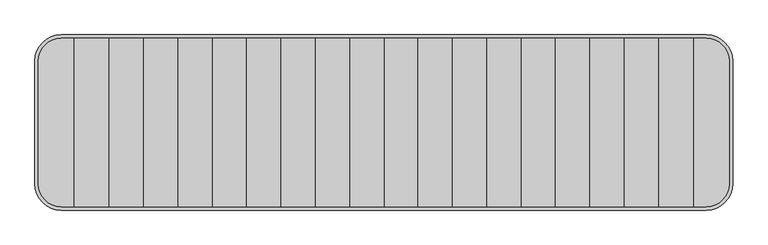
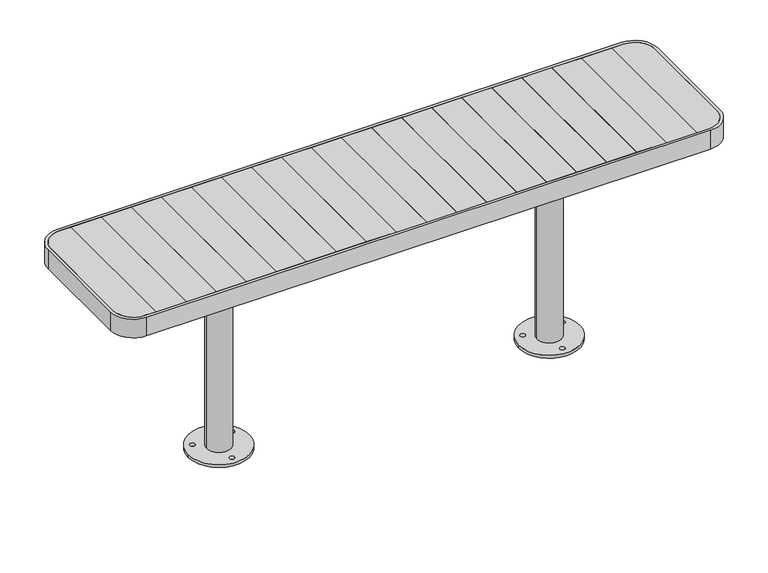
"""IFC4 building model written with IfcOpenShell, lengths in millimetres: furniture geometry."""

from ifc_helpers import new_model, si_unit, point, frame, frame_2d, origin, origin_with_axes, place, context, project, spatial, polyline, circle_curve, trimmed, segment, composite_curve, outline, extrude, source, transform, mapped, element, save
from ifc_brep_helpers import plane_surface, cylinder_surface, advanced_brep


def furniture_a5f5302d(model_context):
    return source(origin(), model_context, "Body", "SolidModel", [
        extrude(outline(polyline([(-789.6, -242.0), (-888.3, -242.0), (-888.3, 242.0), (-789.6, 242.0), (-789.6, -242.0)])), frame((0.0, 0.0, 712.0), z_axis=(0.0, 0.0, 1.0), x_axis=(1.0, 0.0, 0.0)), (0.0, 0.0, 1.0), 28.0),
        extrude(outline(polyline([(-690.9, -242.0), (-789.6, -242.0), (-789.6, 242.0), (-690.9, 242.0), (-690.9, -242.0)])), frame((0.0, 0.0, 712.0), z_axis=(0.0, 0.0, 1.0), x_axis=(1.0, 0.0, 0.0)), (0.0, 0.0, 1.0), 28.0),
        extrude(outline(polyline([(-592.2, -242.0), (-690.9, -242.0), (-690.9, 242.0), (-592.2, 242.0), (-592.2, -242.0)])), frame((0.0, 0.0, 712.0), z_axis=(0.0, 0.0, 1.0), x_axis=(1.0, 0.0, 0.0)), (0.0, 0.0, 1.0), 28.0),
        extrude(outline(polyline([(-493.5, -242.0), (-592.2, -242.0), (-592.2, 242.0), (-493.5, 242.0), (-493.5, -242.0)])), frame((0.0, 0.0, 712.0), z_axis=(0.0, 0.0, 1.0), x_axis=(1.0, 0.0, 0.0)), (0.0, 0.0, 1.0), 28.0),
        extrude(outline(polyline([(-394.8, -242.0), (-493.5, -242.0), (-493.5, 242.0), (-394.8, 242.0), (-394.8, -242.0)])), frame((0.0, 0.0, 712.0), z_axis=(0.0, 0.0, 1.0), x_axis=(1.0, 0.0, 0.0)), (0.0, 0.0, 1.0), 28.0),
        extrude(outline(polyline([(-296.1, -242.0), (-394.8, -242.0), (-394.8, 242.0), (-296.1, 242.0), (-296.1, -242.0)])), frame((0.0, 0.0, 712.0), z_axis=(0.0, 0.0, 1.0), x_axis=(1.0, 0.0, 0.0)), (0.0, 0.0, 1.0), 28.0),
        extrude(outline(composite_curve([segment(polyline([(-991.9176702, -177.0), (-991.9176702, 177.0)]), True, "CONTINUOUS"), segment(trimmed(circle_curve(frame_2d((-926.9176702, 177.0)), 65.0), [point((-991.9176702, 177.0))], [point((-926.9176702, 242.0))], False, "CARTESIAN"), True, "CONTINUOUS"), segment(polyline([(-926.9176702, 242.0), (-888.3, 242.0), (-888.3, -242.0), (-926.9176702, -242.0)]), True, "CONTINUOUS"), segment(trimmed(circle_curve(frame_2d((-926.9176702, -177.0)), 65.0), [point((-926.9176702, -242.0))], [point((-991.9176702, -177.0))], False, "CARTESIAN"), True, "CONTINUOUS")], self_intersect=False)), frame((0.0, 0.0, 712.0), z_axis=(0.0, 0.0, 1.0), x_axis=(1.0, 0.0, 0.0)), (0.0, 0.0, 1.0), 28.0),
        extrude(outline(polyline([(-197.4, -242.0), (-296.1, -242.0), (-296.1, 242.0), (-197.4, 242.0), (-197.4, -242.0)])), frame((0.0, 0.0, 712.0), z_axis=(0.0, 0.0, 1.0), x_axis=(1.0, 0.0, 0.0)), (0.0, 0.0, 1.0), 28.0),
        extrude(outline(polyline([(-98.7, -242.0), (-197.4, -242.0), (-197.4, 242.0), (-98.7, 242.0), (-98.7, -242.0)])), frame((0.0, 0.0, 712.0), z_axis=(0.0, 0.0, 1.0), x_axis=(1.0, 0.0, 0.0)), (0.0, 0.0, 1.0), 28.0),
        extrude(outline(polyline([(0.0, -242.0), (-98.7, -242.0), (-98.7, 242.0), (0.0, 242.0), (0.0, -242.0)])), frame((0.0, 0.0, 712.0), z_axis=(0.0, 0.0, 1.0), x_axis=(1.0, 0.0, 0.0)), (0.0, 0.0, 1.0), 28.0),
        extrude(outline(polyline([(888.3, -242.0), (789.6, -242.0), (789.6, 242.0), (888.3, 242.0), (888.3, -242.0)])), frame((0.0, 0.0, 712.0), z_axis=(0.0, 0.0, 1.0), x_axis=(1.0, 0.0, 0.0)), (0.0, 0.0, 1.0), 28.0),
        extrude(outline(polyline([(789.6, -242.0), (690.9, -242.0), (690.9, 242.0), (789.6, 242.0), (789.6, -242.0)])), frame((0.0, 0.0, 712.0), z_axis=(0.0, 0.0, 1.0), x_axis=(1.0, 0.0, 0.0)), (0.0, 0.0, 1.0), 28.0),
        extrude(outline(polyline([(690.9, -242.0), (592.2, -242.0), (592.2, 242.0), (690.9, 242.0), (690.9, -242.0)])), frame((0.0, 0.0, 712.0), z_axis=(0.0, 0.0, 1.0), x_axis=(1.0, 0.0, 0.0)), (0.0, 0.0, 1.0), 28.0),
        extrude(outline(polyline([(592.2, -242.0), (493.5, -242.0), (493.5, 242.0), (592.2, 242.0), (592.2, -242.0)])), frame((0.0, 0.0, 712.0), z_axis=(0.0, 0.0, 1.0), x_axis=(1.0, 0.0, 0.0)), (0.0, 0.0, 1.0), 28.0),
        extrude(outline(polyline([(493.5, -242.0), (394.8, -242.0), (394.8, 242.0), (493.5, 242.0), (493.5, -242.0)])), frame((0.0, 0.0, 712.0), z_axis=(0.0, 0.0, 1.0), x_axis=(1.0, 0.0, 0.0)), (0.0, 0.0, 1.0), 28.0),
        extrude(outline(polyline([(394.8, -242.0), (296.1, -242.0), (296.1, 242.0), (394.8, 242.0), (394.8, -242.0)])), frame((0.0, 0.0, 712.0), z_axis=(0.0, 0.0, 1.0), x_axis=(1.0, 0.0, 0.0)), (0.0, 0.0, 1.0), 28.0),
        extrude(outline(composite_curve([segment(trimmed(circle_curve(frame_2d((926.9176702, -177.0)), 65.0), [point((991.9176702, -177.0))], [point((926.9176702, -242.0))], False, "CARTESIAN"), True, "CONTINUOUS"), segment(polyline([(926.9176702, -242.0), (888.3, -242.0), (888.3, 242.0), (926.9176702, 242.0)]), True, "CONTINUOUS"), segment(trimmed(circle_curve(frame_2d((926.9176702, 177.0)), 65.0), [point((926.9176702, 242.0))], [point((991.9176702, 177.0))], False, "CARTESIAN"), True, "CONTINUOUS"), segment(polyline([(991.9176702, 177.0), (991.9176702, -177.0)]), True, "CONTINUOUS")], self_intersect=False)), frame((0.0, 0.0, 712.0), z_axis=(0.0, 0.0, 1.0), x_axis=(1.0, 0.0, 0.0)), (0.0, 0.0, 1.0), 28.0),
        extrude(outline(polyline([(296.1, -242.0), (197.4, -242.0), (197.4, 242.0), (296.1, 242.0), (296.1, -242.0)])), frame((0.0, 0.0, 712.0), z_axis=(0.0, 0.0, 1.0), x_axis=(1.0, 0.0, 0.0)), (0.0, 0.0, 1.0), 28.0),
        extrude(outline(polyline([(197.4, -242.0), (98.7, -242.0), (98.7, 242.0), (197.4, 242.0), (197.4, -242.0)])), frame((0.0, 0.0, 712.0), z_axis=(0.0, 0.0, 1.0), x_axis=(1.0, 0.0, 0.0)), (0.0, 0.0, 1.0), 28.0),
        extrude(outline(polyline([(98.7, -242.0), (0.0, -242.0), (0.0, 242.0), (98.7, 242.0), (98.7, -242.0)])), frame((0.0, 0.0, 712.0), z_axis=(0.0, 0.0, 1.0), x_axis=(1.0, 0.0, 0.0)), (0.0, 0.0, 1.0), 28.0),
        advanced_brep(
        [(-991.9176702, 177.0, 708.0), (-926.9176702, 242.0, 708.0), (926.9176702, 242.0, 708.0), (991.9176702, 177.0, 708.0), (991.9176702, -177.0, 708.0), (926.9176702, -242.0, 708.0), (-926.9176702, -242.0, 708.0), (-991.9176702, -177.0, 708.0), (-583.3785308, -142.0, 708.0), (-583.3785308, 142.0, 708.0), (-893.3, 141.9868511, 708.0), (-893.3, -142.0, 708.0), (-502.3618569, 142.0, 708.0), (-502.3618569, -142.0, 708.0), (502.3618569, -142.0, 708.0), (502.3618569, 142.0, 708.0), (893.3, 141.9868511, 708.0), (583.3785308, 141.9897709, 708.0), (583.3785308, -142.0, 708.0), (893.3, -142.0, 708.0), (-583.3785308, -142.0, 712.0), (-583.3785308, 142.0, 712.0), (-991.9176702, 177.0, 712.0), (-991.9176702, -177.0, 712.0), (-926.9176702, -242.0, 712.0), (926.9176702, -242.0, 712.0), (991.9176702, -177.0, 712.0), (991.9176702, 177.0, 712.0), (926.9176702, 242.0, 712.0), (-926.9176702, 242.0, 712.0), (-893.3, -142.0, 712.0), (-893.3, 141.9868511, 712.0), (-502.3618569, -142.0, 712.0), (-502.3618569, 142.0, 712.0), (502.3618569, 141.9905342, 712.0), (502.3618569, -142.0, 712.0), (893.3, -142.0, 712.0), (583.3785308, -142.0, 712.0), (583.3785308, 142.0, 712.0), (893.3, 141.9868511, 712.0)],
        [
            (0, 1, circle_curve(frame((-926.9176702, 177.0, 708.0), z_axis=(0.0, 0.0, -1.0), x_axis=(1.0, 0.0, 0.0)), 65.0)),
            (1, 2),
            (2, 3, circle_curve(frame((926.9176702, 177.0, 708.0), z_axis=(0.0, 0.0, -1.0), x_axis=(-1.0, 0.0, 0.0)), 65.0)),
            (3, 4),
            (4, 5, circle_curve(frame((926.9176702, -177.0, 708.0), z_axis=(0.0, 0.0, -1.0), x_axis=(-1.0, 0.0, 0.0)), 65.0)),
            (5, 6),
            (6, 7, circle_curve(frame((-926.9176702, -177.0, 708.0), z_axis=(0.0, 0.0, -1.0), x_axis=(1.0, 0.0, 0.0)), 65.0)),
            (7, 0),
            (8, 9),
            (9, 10),
            (10, 11),
            (11, 8),
            (12, 13),
            (13, 14),
            (14, 15),
            (15, 12),
            (16, 17),
            (17, 18),
            (18, 19),
            (19, 16),
            (8, 20),
            (20, 21),
            (21, 9),
            (22, 23),
            (23, 24, circle_curve(frame((-926.9176702, -177.0, 712.0), z_axis=(0.0, 0.0, 1.0), x_axis=(1.0, 0.0, 0.0)), 65.0)),
            (24, 25),
            (25, 26, circle_curve(frame((926.9176702, -177.0, 712.0), z_axis=(0.0, 0.0, 1.0), x_axis=(-1.0, 0.0, 0.0)), 65.0)),
            (26, 27),
            (27, 28, circle_curve(frame((926.9176702, 177.0, 712.0), z_axis=(0.0, 0.0, 1.0), x_axis=(-1.0, 0.0, 0.0)), 65.0)),
            (28, 29),
            (29, 22, circle_curve(frame((-926.9176702, 177.0, 712.0), z_axis=(0.0, 0.0, 1.0), x_axis=(1.0, 0.0, 0.0)), 65.0)),
            (20, 30),
            (30, 31),
            (31, 21),
            (32, 33),
            (33, 34),
            (34, 35),
            (35, 32),
            (36, 37),
            (37, 38),
            (38, 39),
            (39, 36),
            (12, 33),
            (32, 13),
            (22, 0),
            (7, 23),
            (6, 24),
            (5, 25),
            (4, 26),
            (3, 27),
            (2, 28),
            (1, 29),
            (15, 34),
            (31, 10),
            (16, 39),
            (38, 17),
            (19, 36),
            (35, 14),
            (18, 37),
            (11, 30),
        ],
        [
            plane_surface(frame((-583.3785308, -142.0, 708.0), z_axis=(0.0, 0.0, -1.0), x_axis=(0.0, 1.0, 0.0))),
            plane_surface(frame((-583.3785308, -142.0, 712.0), z_axis=(-1.0, 0.0, 0.0), x_axis=(0.0, 1.0, 0.0))),
            plane_surface(frame((-502.3618569, -142.0, 712.0), z_axis=(0.0, 0.0, 1.0), x_axis=(0.0, 1.0, 0.0))),
            plane_surface(frame((-502.3618569, -142.0, 708.0), z_axis=(1.0, 0.0, 0.0), x_axis=(0.0, 1.0, 0.0))),
            plane_surface(frame((-991.9176702, 177.0, 712.0), z_axis=(-1.0, 0.0, 0.0), x_axis=(0.0, 0.0, -1.0))),
            cylinder_surface(frame((-926.9176702, -177.0, 708.0), z_axis=(0.0, 0.0, 1.0), x_axis=(1.0, 0.0, 0.0)), 65.0),
            plane_surface(frame((-926.9176702, -242.0, 712.0), z_axis=(0.0, -1.0, 0.0), x_axis=(0.0, 0.0, -1.0))),
            cylinder_surface(frame((926.9176702, -177.0, 708.0), z_axis=(0.0, 0.0, 1.0), x_axis=(-1.0, 0.0, 0.0)), 65.0),
            plane_surface(frame((991.9176702, -177.0, 712.0), z_axis=(1.0, 0.0, 0.0), x_axis=(0.0, 0.0, -1.0))),
            cylinder_surface(frame((926.9176702, 177.0, 708.0), z_axis=(0.0, 0.0, 1.0), x_axis=(-1.0, 0.0, 0.0)), 65.0),
            plane_surface(frame((926.9176702, 242.0, 712.0), z_axis=(0.0, 1.0, 0.0), x_axis=(0.0, 0.0, -1.0))),
            cylinder_surface(frame((-926.9176702, 177.0, 708.0), z_axis=(0.0, 0.0, 1.0), x_axis=(1.0, 0.0, 0.0)), 65.0),
            plane_surface(frame((-893.3, 141.9868511, 712.0), z_axis=(0.0, -1.0, 0.0), x_axis=(0.0, 0.0, -1.0))),
            plane_surface(frame((893.3, 141.9868511, 712.0), z_axis=(-1.0, 0.0, 0.0), x_axis=(0.0, 0.0, -1.0))),
            plane_surface(frame((893.3, -142.0, 712.0), z_axis=(0.0, 1.0, 0.0), x_axis=(0.0, 0.0, -1.0))),
            plane_surface(frame((-893.3, -142.0, 712.0), z_axis=(1.0, 0.0, 0.0), x_axis=(0.0, 0.0, -1.0))),
            plane_surface(frame((583.3785308, -142.0, 708.0), z_axis=(1.0, 0.0, 0.0), x_axis=(0.0, 1.0, 0.0))),
            plane_surface(frame((502.3618569, -142.0, 712.0), z_axis=(-1.0, 0.0, 0.0), x_axis=(0.0, 1.0, 0.0))),
        ],
        [
            (0, [[1, 2, 3, 4, 5, 6, 7, 8], [9, 10, 11, 12], [13, 14, 15, 16], [17, 18, 19, 20]]),
            (1, [[-9, 21, 22, 23]]),
            (2, [[24, 25, 26, 27, 28, 29, 30, 31], [-22, 32, 33, 34], [35, 36, 37, 38], [39, 40, 41, 42]]),
            (3, [[-13, 43, -35, 44]]),
            (4, [[-24, 45, -8, 46]]),
            (5, [[-25, -46, -7, 47]]),
            (6, [[-26, -47, -6, 48]]),
            (7, [[-27, -48, -5, 49]]),
            (8, [[-28, -49, -4, 50]]),
            (9, [[-29, -50, -3, 51]]),
            (10, [[-30, -51, -2, 52]]),
            (11, [[-31, -52, -1, -45]]),
            (12, [[-43, -16, 53, -36]]),
            (12, [[54, -10, -23, -34]]),
            (12, [[55, -41, 56, -17]]),
            (13, [[-42, -55, -20, 57]]),
            (14, [[-44, -38, 58, -14]]),
            (14, [[-57, -19, 59, -39]]),
            (14, [[60, -32, -21, -12]]),
            (15, [[-33, -60, -11, -54]]),
            (16, [[-18, -56, -40, -59]]),
            (17, [[-15, -58, -37, -53]]),
        ],
    ),
        extrude(outline(composite_curve([segment(trimmed(circle_curve(frame_2d((542.85, 0.0)), 100.0), [point((642.85, 0.0))], [point((442.85, 0.0))], False, "CARTESIAN"), True, "CONTINUOUS"), segment(trimmed(circle_curve(frame_2d((542.85, 0.0)), 100.0), [point((442.85, 0.0))], [point((642.85, 0.0))], False, "CARTESIAN"), True, "CONTINUOUS")], self_intersect=False), holes=[composite_curve([segment(trimmed(circle_curve(frame_2d((607.8071886, 37.4460209)), 8.0), [point((615.8071886, 37.4460209))], [point((599.8071886, 37.4460209))], True, "CARTESIAN"), True, "CONTINUOUS"), segment(trimmed(circle_curve(frame_2d((607.8071886, 37.4460209)), 8.0), [point((599.8071886, 37.4460209))], [point((615.8071886, 37.4460209))], True, "CARTESIAN"), True, "CONTINUOUS")], self_intersect=False), composite_curve([segment(trimmed(circle_curve(frame_2d((477.8071886, 37.4460209)), 8.0), [point((485.8071886, 37.4460209))], [point((469.8071886, 37.4460209))], True, "CARTESIAN"), True, "CONTINUOUS"), segment(trimmed(circle_curve(frame_2d((477.8071886, 37.4460209)), 8.0), [point((469.8071886, 37.4460209))], [point((485.8071886, 37.4460209))], True, "CARTESIAN"), True, "CONTINUOUS")], self_intersect=False), composite_curve([segment(trimmed(circle_curve(frame_2d((542.8071886, -75.1372816)), 8.0), [point((550.8071886, -75.1372816))], [point((534.8071886, -75.1372816))], True, "CARTESIAN"), True, "CONTINUOUS"), segment(trimmed(circle_curve(frame_2d((542.8071886, -75.1372816)), 8.0), [point((534.8071886, -75.1372816))], [point((550.8071886, -75.1372816))], True, "CARTESIAN"), True, "CONTINUOUS")], self_intersect=False)]), origin_with_axes(), (0.0, 0.0, 1.0), 9.9997207),
        extrude(outline(composite_curve([segment(trimmed(circle_curve(frame_2d((542.8271918, 0.0)), 40.0), [point((582.8271918, 0.0))], [point((502.8271918, 0.0))], False, "CARTESIAN"), True, "CONTINUOUS"), segment(trimmed(circle_curve(frame_2d((542.8271918, 0.0)), 40.0), [point((502.8271918, 0.0))], [point((582.8271918, 0.0))], False, "CARTESIAN"), True, "CONTINUOUS")], self_intersect=False)), origin_with_axes(), (0.0, 0.0, 1.0), 708.0),
        extrude(outline(composite_curve([segment(trimmed(circle_curve(frame_2d((-542.85, 0.0)), 100.0), [point((-642.85, 0.0))], [point((-442.85, 0.0))], False, "CARTESIAN"), True, "CONTINUOUS"), segment(trimmed(circle_curve(frame_2d((-542.85, 0.0)), 100.0), [point((-442.85, 0.0))], [point((-642.85, 0.0))], False, "CARTESIAN"), True, "CONTINUOUS")], self_intersect=False), holes=[composite_curve([segment(trimmed(circle_curve(frame_2d((-607.8071886, 37.4460209)), 8.0), [point((-615.8071886, 37.4460209))], [point((-599.8071886, 37.4460209))], True, "CARTESIAN"), True, "CONTINUOUS"), segment(trimmed(circle_curve(frame_2d((-607.8071886, 37.4460209)), 8.0), [point((-599.8071886, 37.4460209))], [point((-615.8071886, 37.4460209))], True, "CARTESIAN"), True, "CONTINUOUS")], self_intersect=False), composite_curve([segment(trimmed(circle_curve(frame_2d((-477.8071886, 37.4460209)), 8.0), [point((-485.8071886, 37.4460209))], [point((-469.8071886, 37.4460209))], True, "CARTESIAN"), True, "CONTINUOUS"), segment(trimmed(circle_curve(frame_2d((-477.8071886, 37.4460209)), 8.0), [point((-469.8071886, 37.4460209))], [point((-485.8071886, 37.4460209))], True, "CARTESIAN"), True, "CONTINUOUS")], self_intersect=False), composite_curve([segment(trimmed(circle_curve(frame_2d((-542.8071886, -75.1372816)), 8.0), [point((-550.8071886, -75.1372816))], [point((-534.8071886, -75.1372816))], True, "CARTESIAN"), True, "CONTINUOUS"), segment(trimmed(circle_curve(frame_2d((-542.8071886, -75.1372816)), 8.0), [point((-534.8071886, -75.1372816))], [point((-550.8071886, -75.1372816))], True, "CARTESIAN"), True, "CONTINUOUS")], self_intersect=False)]), origin_with_axes(), (0.0, 0.0, 1.0), 9.9997207),
        extrude(outline(composite_curve([segment(trimmed(circle_curve(frame_2d((-542.8271918, 0.0)), 40.0), [point((-582.8271918, 0.0))], [point((-502.8271918, 0.0))], False, "CARTESIAN"), True, "CONTINUOUS"), segment(trimmed(circle_curve(frame_2d((-542.8271918, 0.0)), 40.0), [point((-502.8271918, 0.0))], [point((-582.8271918, 0.0))], False, "CARTESIAN"), True, "CONTINUOUS")], self_intersect=False)), origin_with_axes(), (0.0, 0.0, 1.0), 708.0),
        extrude(outline(composite_curve([segment(polyline([(-1001.9176702, -177.0), (-1001.9176702, 177.0)]), True, "CONTINUOUS"), segment(trimmed(circle_curve(frame_2d((-926.9176702, 177.0)), 75.0), [point((-1001.9176702, 177.0))], [point((-926.9176702, 252.0))], False, "CARTESIAN"), True, "CONTINUOUS"), segment(polyline([(-926.9176702, 252.0), (926.9176702, 252.0)]), True, "CONTINUOUS"), segment(trimmed(circle_curve(frame_2d((926.9176702, 177.0)), 75.0), [point((926.9176702, 252.0))], [point((1001.9176702, 177.0))], False, "CARTESIAN"), True, "CONTINUOUS"), segment(polyline([(1001.9176702, 177.0), (1001.9176702, -177.0)]), True, "CONTINUOUS"), segment(trimmed(circle_curve(frame_2d((926.9176702, -177.0)), 75.0), [point((1001.9176702, -177.0))], [point((926.9176702, -252.0))], False, "CARTESIAN"), True, "CONTINUOUS"), segment(polyline([(926.9176702, -252.0), (-926.9176702, -252.0)]), True, "CONTINUOUS"), segment(trimmed(circle_curve(frame_2d((-926.9176702, -177.0)), 75.0), [point((-926.9176702, -252.0))], [point((-1001.9176702, -177.0))], False, "CARTESIAN"), True, "CONTINUOUS")], self_intersect=False), holes=[composite_curve([segment(trimmed(circle_curve(frame_2d((-926.9176702, -177.0)), 65.0), [point((-991.9176702, -177.0))], [point((-926.9176702, -242.0))], True, "CARTESIAN"), True, "CONTINUOUS"), segment(polyline([(-926.9176702, -242.0), (926.9176702, -242.0)]), True, "CONTINUOUS"), segment(trimmed(circle_curve(frame_2d((926.9176702, -177.0)), 65.0), [point((926.9176702, -242.0))], [point((991.9176702, -177.0))], True, "CARTESIAN"), True, "CONTINUOUS"), segment(polyline([(991.9176702, -177.0), (991.9176702, 177.0)]), True, "CONTINUOUS"), segment(trimmed(circle_curve(frame_2d((926.9176702, 177.0)), 65.0), [point((991.9176702, 177.0))], [point((926.9176702, 242.0))], True, "CARTESIAN"), True, "CONTINUOUS"), segment(polyline([(926.9176702, 242.0), (-926.9176702, 242.0)]), True, "CONTINUOUS"), segment(trimmed(circle_curve(frame_2d((-926.9176702, 177.0)), 65.0), [point((-926.9176702, 242.0))], [point((-991.9176702, 177.0))], True, "CARTESIAN"), True, "CONTINUOUS"), segment(polyline([(-991.9176702, 177.0), (-991.9176702, -177.0)]), True, "CONTINUOUS")], self_intersect=False)]), frame((0.0, 0.0, 675.0000413), z_axis=(0.0, 0.0, 1.0), x_axis=(1.0, 0.0, 0.0)), (0.0, 0.0, 1.0), 64.9999587),
    ])


if __name__ == "__main__":
    model = new_model("IFC4")
    model_context = context("Model", 3, world=origin())
    ifc_project = project(units=[si_unit("LENGTHUNIT", "METRE", prefix="MILLI")], contexts=[model_context])
    site = spatial("IfcSite", under=ifc_project)
    building = spatial("IfcBuilding", under=site)
    placement = place(None, origin())
    furniture_shape = furniture_a5f5302d(model_context)
    element("IfcFurniture", 1, at=placement, inside=building, context=model_context, shape_type="MappedRepresentation", body=[
        mapped(furniture_shape, transform((0.0, 0.0, 0.0), x_axis=(1.0, 0.0, 0.0), y_axis=(0.0, 1.0, 0.0), z_axis=(0.0, 0.0, 1.0))),
    ])
    save(model, "model.ifc")
